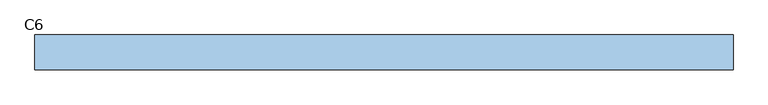
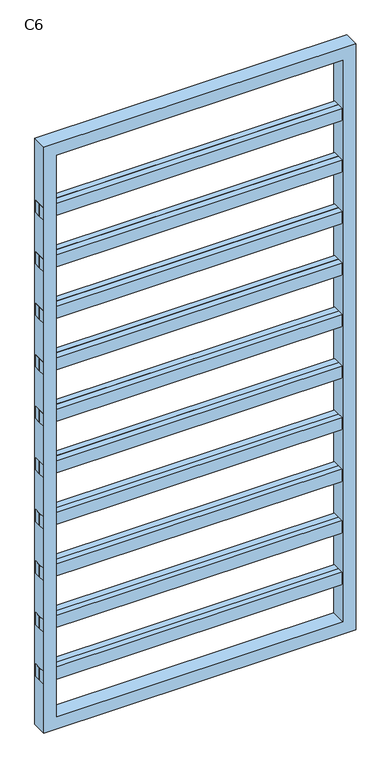
"""IFC4 building model written with IfcOpenShell, lengths in millimetres: window geometry, C6."""

import ifcopenshell
import ifcopenshell.guid

model = None  # the IFC model being written
_history = None  # IfcOwnerHistory: only IFC2X3 demands one
_inside = {}  # id of a spatial element -> (the spatial element, [elements in it])
_under = {}  # id of a project, library or spatial element -> (it, [spatial elements below it])
_declared = {}  # id of a project -> (the project, [libraries it declares])
_typed = {}  # id of a type object -> (the type object, [elements of that type])
_made_of = {}  # id of a material, layer set ... -> (it, [elements and type objects made of it])


def new_model(schema):
    """Start an empty IFC model of exactly this schema.

    Asked for "IFC4X3", IfcOpenShell would pick the latest addendum, in which some entities
    have other attributes; the version numbers below select the first issue.
    IFC2X3 requires an IfcOwnerHistory on every rooted entity: one is made here for all.
    """
    global model, _history
    if schema == "IFC4X3":
        model = ifcopenshell.file(schema_version=(4, 3, 0, 0))
    else:
        model = ifcopenshell.file(schema=schema)
    _inside.clear()
    _under.clear()
    _declared.clear()
    _typed.clear()
    _made_of.clear()
    _history = None
    if model.schema == "IFC2X3":
        org = make("IfcOrganization", Name="unknown")
        user = make(
            "IfcPersonAndOrganization",
            ThePerson=make("IfcPerson", FamilyName="unknown"),
            TheOrganization=org,
        )
        app = make(
            "IfcApplication",
            ApplicationDeveloper=org,
            Version="unknown",
            ApplicationFullName="unknown",
            ApplicationIdentifier="unknown",
        )
        _history = make(
            "IfcOwnerHistory",
            OwningUser=user,
            OwningApplication=app,
            ChangeAction="ADDED",
            CreationDate=0,
        )
    return model


def make(cls, **values):
    """One entity of the class cls with the attributes given. An attribute that is None is left unset."""
    return model.create_entity(
        cls, **{name: value for name, value in values.items() if value is not None}
    )


def rooted(cls, **values):
    """An entity with a GlobalId (a new one), such as an element, a storey or a relation."""
    return make(cls, GlobalId=ifcopenshell.guid.new(), OwnerHistory=_history, **values)


def si_unit(unit_type, name, prefix=None):
    """IfcSIUnit, for example si_unit("LENGTHUNIT", "METRE", prefix="MILLI")."""
    return make("IfcSIUnit", UnitType=unit_type, Prefix=prefix, Name=name)


def assignment(units):
    """IfcUnitAssignment: the units of a project."""
    return None if units is None else make("IfcUnitAssignment", Units=units)


def point(xyz):
    """IfcCartesianPoint."""
    return None if xyz is None else make("IfcCartesianPoint", Coordinates=xyz)


def direction(xyz):
    """IfcDirection."""
    return None if xyz is None else make("IfcDirection", DirectionRatios=xyz)


def frame(location, z_axis=None, x_axis=None):
    """IfcAxis2Placement3D, a coordinate frame: its origin and axes. An axis left out is left unset."""
    return make(
        "IfcAxis2Placement3D",
        Location=point(location),
        Axis=direction(z_axis),
        RefDirection=direction(x_axis),
    )


def origin():
    """The frame at (0, 0, 0) with its axes left unset."""
    return frame((0.0, 0.0, 0.0))


def place(relative_to, where):
    """IfcLocalPlacement: puts the frame where relative to a parent placement (None: the world)."""
    return make(
        "IfcLocalPlacement", PlacementRelTo=relative_to, RelativePlacement=where
    )


def context(
    kind, dimensions, precision=None, world=None, true_north=None, identifier=None
):
    """IfcGeometricRepresentationContext, for example the 3D "Model" context."""
    return make(
        "IfcGeometricRepresentationContext",
        ContextIdentifier=identifier,
        ContextType=kind,
        CoordinateSpaceDimension=dimensions,
        Precision=precision,
        WorldCoordinateSystem=world,
        TrueNorth=true_north,
    )


def project(units=None, contexts=None):
    """IfcProject with its units and contexts."""
    return rooted(
        "IfcProject",
        Name="project",
        RepresentationContexts=contexts,
        UnitsInContext=assignment(units),
    )


def spatial(cls, under=None, at=None, **own):
    """A site, building, storey or space (cls), placed at a placement, below another one or the project."""
    s = rooted(cls, ObjectPlacement=at, **own)
    if under is not None:
        _under.setdefault(under.id(), (under, []))[1].append(s)
    return s


def polyline(points):
    """IfcPolyline through the points."""
    return make("IfcPolyline", Points=[point(p) for p in points])


def outline(outer, holes=None, kind="AREA"):
    """IfcArbitraryClosedProfileDef: a profile drawn as a closed curve; with holes, ...WithVoids."""
    if holes is None:
        return make("IfcArbitraryClosedProfileDef", ProfileType=kind, OuterCurve=outer)
    return make(
        "IfcArbitraryProfileDefWithVoids",
        ProfileType=kind,
        OuterCurve=outer,
        InnerCurves=holes,
    )


def extrude(swept, where, along, depth):
    """IfcExtrudedAreaSolid: the profile swept, set in the frame where, extruded along a direction by depth."""
    return make(
        "IfcExtrudedAreaSolid",
        SweptArea=swept,
        Position=where,
        ExtrudedDirection=direction(along),
        Depth=depth,
    )


def shape(context_of_items, identifier, shape_type, items):
    """IfcShapeRepresentation: the items that make up one representation, for example the "Body"."""
    return make(
        "IfcShapeRepresentation",
        ContextOfItems=context_of_items,
        RepresentationIdentifier=identifier,
        RepresentationType=shape_type,
        Items=items,
    )


def source(mapping_origin, context_of_items, identifier, shape_type, items):
    """IfcRepresentationMap: a shape defined once, which mapped items show again and again."""
    return make(
        "IfcRepresentationMap",
        MappingOrigin=mapping_origin,
        MappedRepresentation=shape(context_of_items, identifier, shape_type, items),
    )


def transform(
    local_origin,
    x_axis=None,
    y_axis=None,
    z_axis=None,
    scale=None,
    scale2=None,
    scale3=None,
    uniform=True,
):
    """IfcCartesianTransformationOperator3D, or its non-uniform kind. x_axis, y_axis, z_axis: its Axis1, 2, 3."""
    if uniform:
        return make(
            "IfcCartesianTransformationOperator3D",
            Axis1=direction(x_axis),
            Axis2=direction(y_axis),
            LocalOrigin=point(local_origin),
            Scale=scale,
            Axis3=direction(z_axis),
        )
    return make(
        "IfcCartesianTransformationOperator3DnonUniform",
        Axis1=direction(x_axis),
        Axis2=direction(y_axis),
        LocalOrigin=point(local_origin),
        Scale=scale,
        Axis3=direction(z_axis),
        Scale2=scale2,
        Scale3=scale3,
    )


def mapped(mapping_source, mapping_target):
    """IfcMappedItem: shows the shape of a source again, moved by a transform."""
    return make(
        "IfcMappedItem", MappingSource=mapping_source, MappingTarget=mapping_target
    )


def made_of(thing, what):
    """Note that an element or type object is made of a material, layer set ...; save() writes the relation."""
    if what is not None:
        _made_of.setdefault(what.id(), (what, []))[1].append(thing)
    return thing


def element(
    cls,
    number,
    at=None,
    inside=None,
    cuts=None,
    type_object=None,
    material=None,
    context=None,
    identifier="Body",
    shape_type=None,
    held_by="IfcProductDefinitionShape",
    body=None,
    shapes=None,
    **own,
):
    """One element of the class cls, such as IfcWall. Its Tag is "e" and its number.

    at: its placement. inside: the storey or other place that contains it. cuts: it is an
    opening in that element (IfcRelVoidsElement). A single representation is given by context,
    identifier, shape_type and body (its items); several are given by shapes. held_by: the class
    of the entity that holds the representations. save() writes the other relations.
    """
    e = rooted(cls, Tag="e%d" % number, ObjectPlacement=at, **own)
    if body is not None:
        shapes = [shape(context, identifier, shape_type, body)]
    if shapes is not None:
        e.Representation = make(held_by, Representations=shapes)
    if inside is not None:
        _inside.setdefault(inside.id(), (inside, []))[1].append(e)
    if cuts is not None:
        rooted(
            "IfcRelVoidsElement", RelatingBuildingElement=cuts, RelatedOpeningElement=e
        )
    if type_object is not None:
        _typed.setdefault(type_object.id(), (type_object, []))[1].append(e)
    return made_of(e, material)


def aggregate(whole, parts):
    """IfcRelAggregates: a whole, such as a stair, and the parts it consists of."""
    return rooted("IfcRelAggregates", RelatingObject=whole, RelatedObjects=parts)


def save(model, path):
    """Write the relations noted so far, then the file.

    IfcRelAggregates (storeys below a building ...), IfcRelContainedInSpatialStructure (elements
    in a storey), IfcRelDefinesByType, IfcRelAssociatesMaterial and IfcRelDeclares: one each for
    every whole, place, type object, material and project.
    """
    for whole, parts in _under.values():
        aggregate(whole, parts)
    for where, things in _inside.values():
        rooted(
            "IfcRelContainedInSpatialStructure",
            RelatedElements=things,
            RelatingStructure=where,
        )
    for kind, things in _typed.values():
        rooted("IfcRelDefinesByType", RelatedObjects=things, RelatingType=kind)
    for what, things in _made_of.values():
        rooted("IfcRelAssociatesMaterial", RelatedObjects=things, RelatingMaterial=what)
    for by, libraries in _declared.values():
        rooted("IfcRelDeclares", RelatingContext=by, RelatedDefinitions=libraries)
    model.write(path)


def c6_59528cb2(model_context):
    return source(origin(), model_context, "Body", "SweptSolid", [
        extrude(outline(polyline([(-605.05, 0.0), (-605.05, 25.0), (605.05, 25.0), (605.05, 0.0), (-605.05, 0.0)])), frame((0.0, 0.0, 2088.8888889), z_axis=(0.0, 0.0, 1.0), x_axis=(1.0, 0.0, 0.0)), (0.0, 0.0, 1.0), 50.0),
        extrude(outline(polyline([(605.05, 0.0), (605.05, -25.0), (-605.05, -25.0), (-605.05, 0.0), (605.05, 0.0)])), frame((0.0, 0.0, 2088.8888889), z_axis=(0.0, 0.0, 1.0), x_axis=(1.0, 0.0, 0.0)), (0.0, 0.0, 1.0), 50.0),
        extrude(outline(polyline([(-605.05, 0.0), (-605.05, 25.0), (605.05, 25.0), (605.05, 0.0), (-605.05, 0.0)])), frame((0.0, 0.0, 1877.7777778), z_axis=(0.0, 0.0, 1.0), x_axis=(1.0, 0.0, 0.0)), (0.0, 0.0, 1.0), 50.0),
        extrude(outline(polyline([(605.05, 0.0), (605.05, -25.0), (-605.05, -25.0), (-605.05, 0.0), (605.05, 0.0)])), frame((0.0, 0.0, 1877.7777778), z_axis=(0.0, 0.0, 1.0), x_axis=(1.0, 0.0, 0.0)), (0.0, 0.0, 1.0), 50.0),
        extrude(outline(polyline([(-605.05, 0.0), (-605.05, 25.0), (605.05, 25.0), (605.05, 0.0), (-605.05, 0.0)])), frame((0.0, 0.0, 1666.6666667), z_axis=(0.0, 0.0, 1.0), x_axis=(1.0, 0.0, 0.0)), (0.0, 0.0, 1.0), 50.0),
        extrude(outline(polyline([(605.05, 0.0), (605.05, -25.0), (-605.05, -25.0), (-605.05, 0.0), (605.05, 0.0)])), frame((0.0, 0.0, 1666.6666667), z_axis=(0.0, 0.0, 1.0), x_axis=(1.0, 0.0, 0.0)), (0.0, 0.0, 1.0), 50.0),
        extrude(outline(polyline([(-605.05, 0.0), (-605.05, 25.0), (605.05, 25.0), (605.05, 0.0), (-605.05, 0.0)])), frame((0.0, 0.0, 1455.5555556), z_axis=(0.0, 0.0, 1.0), x_axis=(1.0, 0.0, 0.0)), (0.0, 0.0, 1.0), 50.0),
        extrude(outline(polyline([(605.05, 0.0), (605.05, -25.0), (-605.05, -25.0), (-605.05, 0.0), (605.05, 0.0)])), frame((0.0, 0.0, 1455.5555556), z_axis=(0.0, 0.0, 1.0), x_axis=(1.0, 0.0, 0.0)), (0.0, 0.0, 1.0), 50.0),
        extrude(outline(polyline([(-605.05, 0.0), (-605.05, 25.0), (605.05, 25.0), (605.05, 0.0), (-605.05, 0.0)])), frame((0.0, 0.0, 1244.4444444), z_axis=(0.0, 0.0, 1.0), x_axis=(1.0, 0.0, 0.0)), (0.0, 0.0, 1.0), 50.0),
        extrude(outline(polyline([(605.05, 0.0), (605.05, -25.0), (-605.05, -25.0), (-605.05, 0.0), (605.05, 0.0)])), frame((0.0, 0.0, 1244.4444444), z_axis=(0.0, 0.0, 1.0), x_axis=(1.0, 0.0, 0.0)), (0.0, 0.0, 1.0), 50.0),
        extrude(outline(polyline([(-605.05, 0.0), (-605.05, 25.0), (605.05, 25.0), (605.05, 0.0), (-605.05, 0.0)])), frame((0.0, 0.0, 1033.3333333), z_axis=(0.0, 0.0, 1.0), x_axis=(1.0, 0.0, 0.0)), (0.0, 0.0, 1.0), 50.0),
        extrude(outline(polyline([(605.05, 0.0), (605.05, -25.0), (-605.05, -25.0), (-605.05, 0.0), (605.05, 0.0)])), frame((0.0, 0.0, 1033.3333333), z_axis=(0.0, 0.0, 1.0), x_axis=(1.0, 0.0, 0.0)), (0.0, 0.0, 1.0), 50.0),
        extrude(outline(polyline([(-605.05, 0.0), (-605.05, 25.0), (605.05, 25.0), (605.05, 0.0), (-605.05, 0.0)])), frame((0.0, 0.0, 822.2222222), z_axis=(0.0, 0.0, 1.0), x_axis=(1.0, 0.0, 0.0)), (0.0, 0.0, 1.0), 50.0),
        extrude(outline(polyline([(605.05, 0.0), (605.05, -25.0), (-605.05, -25.0), (-605.05, 0.0), (605.05, 0.0)])), frame((0.0, 0.0, 822.2222222), z_axis=(0.0, 0.0, 1.0), x_axis=(1.0, 0.0, 0.0)), (0.0, 0.0, 1.0), 50.0),
        extrude(outline(polyline([(-605.05, 0.0), (-605.05, 25.0), (605.05, 25.0), (605.05, 0.0), (-605.05, 0.0)])), frame((0.0, 0.0, 611.1111111), z_axis=(0.0, 0.0, 1.0), x_axis=(1.0, 0.0, 0.0)), (0.0, 0.0, 1.0), 50.0),
        extrude(outline(polyline([(605.05, 0.0), (605.05, -25.0), (-605.05, -25.0), (-605.05, 0.0), (605.05, 0.0)])), frame((0.0, 0.0, 611.1111111), z_axis=(0.0, 0.0, 1.0), x_axis=(1.0, 0.0, 0.0)), (0.0, 0.0, 1.0), 50.0),
        extrude(outline(polyline([(-605.05, 0.0), (-605.05, 25.0), (605.05, 25.0), (605.05, 0.0), (-605.05, 0.0)])), frame((0.0, 0.0, 2300.0), z_axis=(0.0, 0.0, 1.0), x_axis=(1.0, 0.0, 0.0)), (0.0, 0.0, 1.0), 50.0),
        extrude(outline(polyline([(605.05, 0.0), (605.05, -25.0), (-605.05, -25.0), (-605.05, 0.0), (605.05, 0.0)])), frame((0.0, 0.0, 2300.0), z_axis=(0.0, 0.0, 1.0), x_axis=(1.0, 0.0, 0.0)), (0.0, 0.0, 1.0), 50.0),
        extrude(outline(polyline([(-605.05, 0.0), (-605.05, 25.0), (605.05, 25.0), (605.05, 0.0), (-605.05, 0.0)])), frame((0.0, 0.0, 400.0), z_axis=(0.0, 0.0, 1.0), x_axis=(1.0, 0.0, 0.0)), (0.0, 0.0, 1.0), 50.0),
        extrude(outline(polyline([(605.05, 0.0), (605.05, -25.0), (-605.05, -25.0), (-605.05, 0.0), (605.05, 0.0)])), frame((0.0, 0.0, 400.0), z_axis=(0.0, 0.0, 1.0), x_axis=(1.0, 0.0, 0.0)), (0.0, 0.0, 1.0), 50.0),
        extrude(outline(polyline([(2600.0, -605.05), (200.0, -605.05), (200.0, 605.05), (2600.0, 605.05), (2600.0, -605.05)]), holes=[polyline([(2550.0, 555.05), (250.0, 555.05), (250.0, -555.05), (2550.0, -555.05), (2550.0, 555.05)])]), frame((0.0, -30.0, 0.0), z_axis=(0.0, 1.0, 0.0), x_axis=(0.0, 0.0, 1.0)), (0.0, 0.0, 1.0), 60.0),
    ])


if __name__ == "__main__":
    model = new_model("IFC4")
    model_context = context("Model", 3, world=origin())
    ifc_project = project(units=[si_unit("LENGTHUNIT", "METRE", prefix="MILLI")], contexts=[model_context])
    site = spatial("IfcSite", under=ifc_project)
    building = spatial("IfcBuilding", under=site)
    placement = place(None, origin())
    c6_shape = c6_59528cb2(model_context)
    element("IfcWindow", 1, ObjectType="C6", at=placement, inside=building, context=model_context, shape_type="MappedRepresentation", body=[
        mapped(c6_shape, transform((0.0, 0.0, 0.0), x_axis=(1.0, 0.0, 0.0), y_axis=(0.0, 1.0, 0.0), z_axis=(0.0, 0.0, 1.0))),
    ])
    save(model, "model.ifc")
